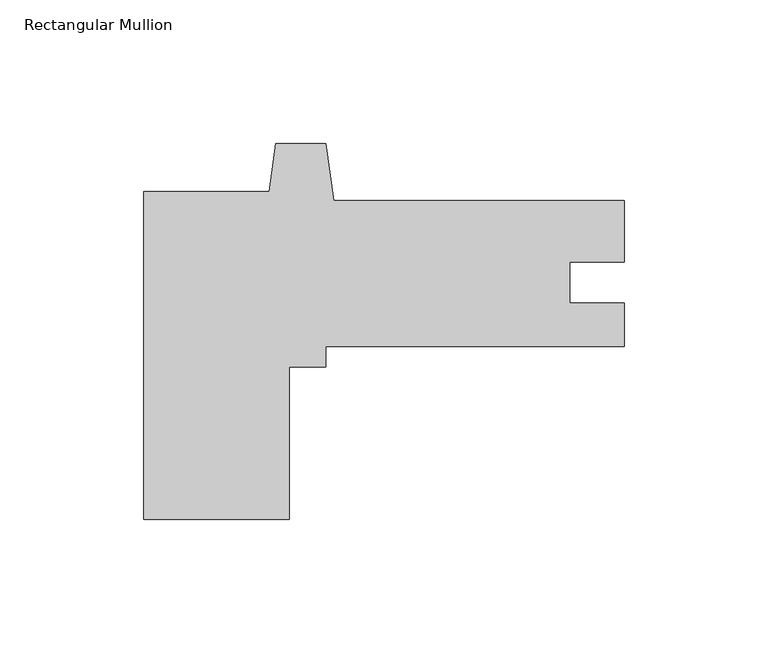
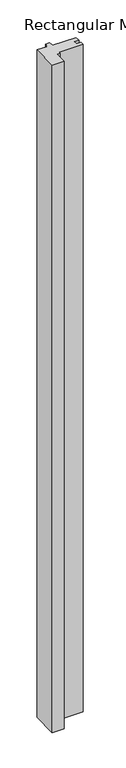
"""IFC4 building model written with IfcOpenShell, lengths in millimetres: member geometry, Rectangular Mullion."""

from ifc_helpers import new_model, si_unit, frame, origin, place, context, project, spatial, polyline, outline, extrude, source, transform, mapped, element, save


def rectangular_mullion_611085d4(model_context):
    return source(origin(), model_context, "Body", "SweptSolid", [
        extrude(outline(polyline([(-116.6812513, -57.1499365), (-167.4812513, -57.1499365), (-167.4812513, 57.1499365), (-123.7189324, 57.1499365), (-121.3593534, 73.9392131), (-104.0656491, 73.9392131), (-101.259853, 53.9749365), (-1.3e-06, 53.9749365), (-1.3e-06, 32.5881299), (-19.0246, 32.5881299), (-19.0246, 18.2752365), (0.0, 18.2752365), (0.0, 3.1749365), (-103.9812513, 3.1749365), (-103.9812513, -3.9878635), (-116.6812513, -3.9878635), (-116.6812513, -57.1499365)])), frame((0.0, 0.0, -3048.0), z_axis=(0.0, 0.0, 1.0), x_axis=(1.0, 0.0, 0.0)), (0.0, 0.0, 1.0), 3048.0),
    ])


if __name__ == "__main__":
    model = new_model("IFC4")
    model_context = context("Model", 3, world=origin())
    ifc_project = project(units=[si_unit("LENGTHUNIT", "METRE", prefix="MILLI")], contexts=[model_context])
    site = spatial("IfcSite", under=ifc_project)
    building = spatial("IfcBuilding", under=site)
    placement = place(None, origin())
    rectangular_mullion_shape = rectangular_mullion_611085d4(model_context)
    element("IfcMember", 1, ObjectType="Rectangular Mullion", at=placement, inside=building, context=model_context, shape_type="MappedRepresentation", body=[
        mapped(rectangular_mullion_shape, transform((0.0, 0.0, 0.0), x_axis=(1.0, 0.0, 0.0), y_axis=(0.0, 1.0, 0.0), z_axis=(0.0, 0.0, 1.0))),
    ])
    save(model, "model.ifc")
